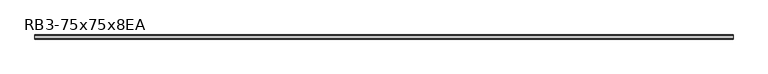
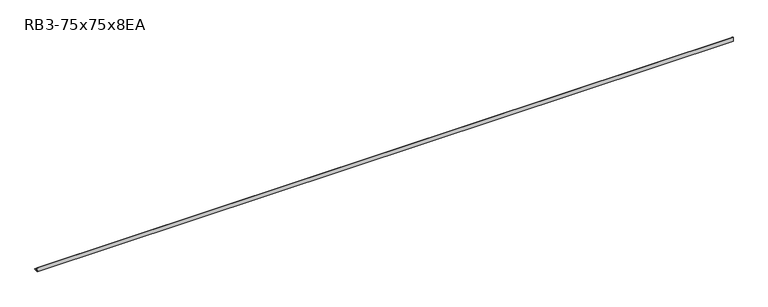
"""IFC4 building model written with IfcOpenShell, lengths in millimetres: member geometry, RB3-75x75x8EA."""

import ifcopenshell
import ifcopenshell.guid

model = None  # the IFC model being written
_history = None  # IfcOwnerHistory: only IFC2X3 demands one
_inside = {}  # id of a spatial element -> (the spatial element, [elements in it])
_under = {}  # id of a project, library or spatial element -> (it, [spatial elements below it])
_declared = {}  # id of a project -> (the project, [libraries it declares])
_typed = {}  # id of a type object -> (the type object, [elements of that type])
_made_of = {}  # id of a material, layer set ... -> (it, [elements and type objects made of it])


def new_model(schema):
    """Start an empty IFC model of exactly this schema.

    Asked for "IFC4X3", IfcOpenShell would pick the latest addendum, in which some entities
    have other attributes; the version numbers below select the first issue.
    IFC2X3 requires an IfcOwnerHistory on every rooted entity: one is made here for all.
    """
    global model, _history
    if schema == "IFC4X3":
        model = ifcopenshell.file(schema_version=(4, 3, 0, 0))
    else:
        model = ifcopenshell.file(schema=schema)
    _inside.clear()
    _under.clear()
    _declared.clear()
    _typed.clear()
    _made_of.clear()
    _history = None
    if model.schema == "IFC2X3":
        org = make("IfcOrganization", Name="unknown")
        user = make(
            "IfcPersonAndOrganization",
            ThePerson=make("IfcPerson", FamilyName="unknown"),
            TheOrganization=org,
        )
        app = make(
            "IfcApplication",
            ApplicationDeveloper=org,
            Version="unknown",
            ApplicationFullName="unknown",
            ApplicationIdentifier="unknown",
        )
        _history = make(
            "IfcOwnerHistory",
            OwningUser=user,
            OwningApplication=app,
            ChangeAction="ADDED",
            CreationDate=0,
        )
    return model


def make(cls, **values):
    """One entity of the class cls with the attributes given. An attribute that is None is left unset."""
    return model.create_entity(
        cls, **{name: value for name, value in values.items() if value is not None}
    )


def rooted(cls, **values):
    """An entity with a GlobalId (a new one), such as an element, a storey or a relation."""
    return make(cls, GlobalId=ifcopenshell.guid.new(), OwnerHistory=_history, **values)


def si_unit(unit_type, name, prefix=None):
    """IfcSIUnit, for example si_unit("LENGTHUNIT", "METRE", prefix="MILLI")."""
    return make("IfcSIUnit", UnitType=unit_type, Prefix=prefix, Name=name)


def assignment(units):
    """IfcUnitAssignment: the units of a project."""
    return None if units is None else make("IfcUnitAssignment", Units=units)


def point(xyz):
    """IfcCartesianPoint."""
    return None if xyz is None else make("IfcCartesianPoint", Coordinates=xyz)


def direction(xyz):
    """IfcDirection."""
    return None if xyz is None else make("IfcDirection", DirectionRatios=xyz)


def frame(location, z_axis=None, x_axis=None):
    """IfcAxis2Placement3D, a coordinate frame: its origin and axes. An axis left out is left unset."""
    return make(
        "IfcAxis2Placement3D",
        Location=point(location),
        Axis=direction(z_axis),
        RefDirection=direction(x_axis),
    )


def frame_2d(location, x_axis=None):
    """IfcAxis2Placement2D, a coordinate frame in the plane: its origin and x axis."""
    return make(
        "IfcAxis2Placement2D", Location=point(location), RefDirection=direction(x_axis)
    )


def origin():
    """The frame at (0, 0, 0) with its axes left unset."""
    return frame((0.0, 0.0, 0.0))


def place(relative_to, where):
    """IfcLocalPlacement: puts the frame where relative to a parent placement (None: the world)."""
    return make(
        "IfcLocalPlacement", PlacementRelTo=relative_to, RelativePlacement=where
    )


def context(
    kind, dimensions, precision=None, world=None, true_north=None, identifier=None
):
    """IfcGeometricRepresentationContext, for example the 3D "Model" context."""
    return make(
        "IfcGeometricRepresentationContext",
        ContextIdentifier=identifier,
        ContextType=kind,
        CoordinateSpaceDimension=dimensions,
        Precision=precision,
        WorldCoordinateSystem=world,
        TrueNorth=true_north,
    )


def project(units=None, contexts=None):
    """IfcProject with its units and contexts."""
    return rooted(
        "IfcProject",
        Name="project",
        RepresentationContexts=contexts,
        UnitsInContext=assignment(units),
    )


def spatial(cls, under=None, at=None, **own):
    """A site, building, storey or space (cls), placed at a placement, below another one or the project."""
    s = rooted(cls, ObjectPlacement=at, **own)
    if under is not None:
        _under.setdefault(under.id(), (under, []))[1].append(s)
    return s


def polyline(points):
    """IfcPolyline through the points."""
    return make("IfcPolyline", Points=[point(p) for p in points])


def circle_curve(where, radius):
    """IfcCircle in the frame where."""
    return make("IfcCircle", Position=where, Radius=radius)


def trimmed(basis, trim1, trim2, sense, master):
    """IfcTrimmedCurve: the piece of a basis curve between two trims."""
    return make(
        "IfcTrimmedCurve",
        BasisCurve=basis,
        Trim1=trim1,
        Trim2=trim2,
        SenseAgreement=sense,
        MasterRepresentation=master,
    )


def segment(curve, same_sense, transition):
    """IfcCompositeCurveSegment."""
    return make(
        "IfcCompositeCurveSegment",
        Transition=transition,
        SameSense=same_sense,
        ParentCurve=curve,
    )


def composite_curve(segments, self_intersect=None):
    """IfcCompositeCurve: segments joined end to end."""
    return make("IfcCompositeCurve", Segments=segments, SelfIntersect=self_intersect)


def outline(outer, holes=None, kind="AREA"):
    """IfcArbitraryClosedProfileDef: a profile drawn as a closed curve; with holes, ...WithVoids."""
    if holes is None:
        return make("IfcArbitraryClosedProfileDef", ProfileType=kind, OuterCurve=outer)
    return make(
        "IfcArbitraryProfileDefWithVoids",
        ProfileType=kind,
        OuterCurve=outer,
        InnerCurves=holes,
    )


def extrude(swept, where, along, depth):
    """IfcExtrudedAreaSolid: the profile swept, set in the frame where, extruded along a direction by depth."""
    return make(
        "IfcExtrudedAreaSolid",
        SweptArea=swept,
        Position=where,
        ExtrudedDirection=direction(along),
        Depth=depth,
    )


def shape(context_of_items, identifier, shape_type, items):
    """IfcShapeRepresentation: the items that make up one representation, for example the "Body"."""
    return make(
        "IfcShapeRepresentation",
        ContextOfItems=context_of_items,
        RepresentationIdentifier=identifier,
        RepresentationType=shape_type,
        Items=items,
    )


def source(mapping_origin, context_of_items, identifier, shape_type, items):
    """IfcRepresentationMap: a shape defined once, which mapped items show again and again."""
    return make(
        "IfcRepresentationMap",
        MappingOrigin=mapping_origin,
        MappedRepresentation=shape(context_of_items, identifier, shape_type, items),
    )


def transform(
    local_origin,
    x_axis=None,
    y_axis=None,
    z_axis=None,
    scale=None,
    scale2=None,
    scale3=None,
    uniform=True,
):
    """IfcCartesianTransformationOperator3D, or its non-uniform kind. x_axis, y_axis, z_axis: its Axis1, 2, 3."""
    if uniform:
        return make(
            "IfcCartesianTransformationOperator3D",
            Axis1=direction(x_axis),
            Axis2=direction(y_axis),
            LocalOrigin=point(local_origin),
            Scale=scale,
            Axis3=direction(z_axis),
        )
    return make(
        "IfcCartesianTransformationOperator3DnonUniform",
        Axis1=direction(x_axis),
        Axis2=direction(y_axis),
        LocalOrigin=point(local_origin),
        Scale=scale,
        Axis3=direction(z_axis),
        Scale2=scale2,
        Scale3=scale3,
    )


def mapped(mapping_source, mapping_target):
    """IfcMappedItem: shows the shape of a source again, moved by a transform."""
    return make(
        "IfcMappedItem", MappingSource=mapping_source, MappingTarget=mapping_target
    )


def made_of(thing, what):
    """Note that an element or type object is made of a material, layer set ...; save() writes the relation."""
    if what is not None:
        _made_of.setdefault(what.id(), (what, []))[1].append(thing)
    return thing


def element(
    cls,
    number,
    at=None,
    inside=None,
    cuts=None,
    type_object=None,
    material=None,
    context=None,
    identifier="Body",
    shape_type=None,
    held_by="IfcProductDefinitionShape",
    body=None,
    shapes=None,
    **own,
):
    """One element of the class cls, such as IfcWall. Its Tag is "e" and its number.

    at: its placement. inside: the storey or other place that contains it. cuts: it is an
    opening in that element (IfcRelVoidsElement). A single representation is given by context,
    identifier, shape_type and body (its items); several are given by shapes. held_by: the class
    of the entity that holds the representations. save() writes the other relations.
    """
    e = rooted(cls, Tag="e%d" % number, ObjectPlacement=at, **own)
    if body is not None:
        shapes = [shape(context, identifier, shape_type, body)]
    if shapes is not None:
        e.Representation = make(held_by, Representations=shapes)
    if inside is not None:
        _inside.setdefault(inside.id(), (inside, []))[1].append(e)
    if cuts is not None:
        rooted(
            "IfcRelVoidsElement", RelatingBuildingElement=cuts, RelatedOpeningElement=e
        )
    if type_object is not None:
        _typed.setdefault(type_object.id(), (type_object, []))[1].append(e)
    return made_of(e, material)


def aggregate(whole, parts):
    """IfcRelAggregates: a whole, such as a stair, and the parts it consists of."""
    return rooted("IfcRelAggregates", RelatingObject=whole, RelatedObjects=parts)


def save(model, path):
    """Write the relations noted so far, then the file.

    IfcRelAggregates (storeys below a building ...), IfcRelContainedInSpatialStructure (elements
    in a storey), IfcRelDefinesByType, IfcRelAssociatesMaterial and IfcRelDeclares: one each for
    every whole, place, type object, material and project.
    """
    for whole, parts in _under.values():
        aggregate(whole, parts)
    for where, things in _inside.values():
        rooted(
            "IfcRelContainedInSpatialStructure",
            RelatedElements=things,
            RelatingStructure=where,
        )
    for kind, things in _typed.values():
        rooted("IfcRelDefinesByType", RelatedObjects=things, RelatingType=kind)
    for what, things in _made_of.values():
        rooted("IfcRelAssociatesMaterial", RelatedObjects=things, RelatingMaterial=what)
    for by, libraries in _declared.values():
        rooted("IfcRelDeclares", RelatingContext=by, RelatedDefinitions=libraries)
    model.write(path)


def rb3_75x75x8ea_64e8c752(model_context):
    return source(origin(), model_context, "Body", "SweptSolid", [
        extrude(outline(composite_curve([segment(polyline([(-21.3, -21.3), (-21.3, 53.7), (-18.3, 53.7)]), True, "CONTINUOUS"), segment(trimmed(circle_curve(frame_2d((-18.3, 48.7)), 5.0), [point((-18.3, 53.7))], [point((-13.3, 48.7))], False, "CARTESIAN"), True, "CONTINUOUS"), segment(polyline([(-13.3, 48.7), (-13.3, -5.3)]), True, "CONTINUOUS"), segment(trimmed(circle_curve(frame_2d((-5.3, -5.3)), 8.0), [point((-13.3, -5.3))], [point((-5.3, -13.3))], True, "CARTESIAN"), True, "CONTINUOUS"), segment(polyline([(-5.3, -13.3), (48.7, -13.3)]), True, "CONTINUOUS"), segment(trimmed(circle_curve(frame_2d((48.7, -18.3)), 5.0), [point((48.7, -13.3))], [point((53.7, -18.3))], False, "CARTESIAN"), True, "CONTINUOUS"), segment(polyline([(53.7, -18.3), (53.7, -21.3), (-21.3, -21.3)]), True, "CONTINUOUS")], self_intersect=False)), frame((-6443.5, 0.0, 0.0), z_axis=(1.0, 0.0, 0.0), x_axis=(0.0, 1.0, 0.0)), (0.0, 0.0, 1.0), 12597.0),
    ])


if __name__ == "__main__":
    model = new_model("IFC4")
    model_context = context("Model", 3, world=origin())
    ifc_project = project(units=[si_unit("LENGTHUNIT", "METRE", prefix="MILLI")], contexts=[model_context])
    site = spatial("IfcSite", under=ifc_project)
    building = spatial("IfcBuilding", under=site)
    placement = place(None, origin())
    rb3_75x75x8ea_shape = rb3_75x75x8ea_64e8c752(model_context)
    element("IfcMember", 1, ObjectType="RB3-75x75x8EA", at=placement, inside=building, context=model_context, shape_type="MappedRepresentation", body=[
        mapped(rb3_75x75x8ea_shape, transform((0.0, 0.0, 0.0), x_axis=(1.0, 0.0, 0.0), y_axis=(0.0, 1.0, 0.0), z_axis=(0.0, 0.0, 1.0))),
    ])
    save(model, "model.ifc")
